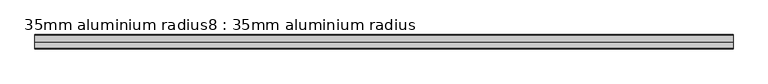
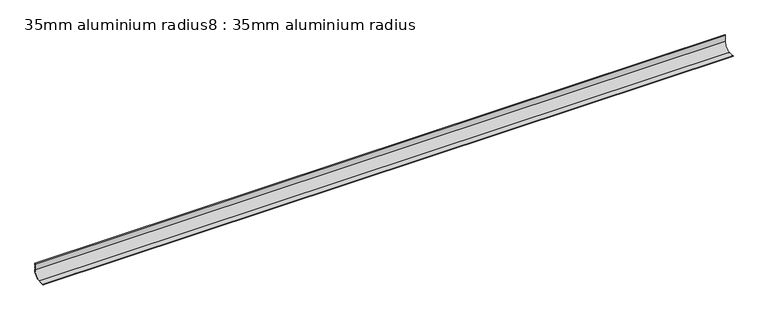
"""IFC4 building model written with IfcOpenShell, lengths in millimetres: proxy geometry, 35mm aluminium radius8 : 35mm aluminium radius."""

from ifc_helpers import new_model, si_unit, point, frame, frame_2d, origin, place, context, project, spatial, polyline, circle_curve, trimmed, segment, composite_curve, outline, extrude, source, transform, mapped, element, save


def proxy_35mm_aluminium_radius8_35mm_aluminium_radius_8f096a16(model_context):
    return source(origin(), model_context, "Body", "SweptSolid", [
        extrude(outline(composite_curve([segment(trimmed(circle_curve(frame_2d((-9056.7333075, 12.7246863)), 3.9), [point((-9057.3538557, 16.5750006))], [point((-9060.1617767, 14.5836105))], True, "CARTESIAN"), True, "CONTINUOUS"), segment(trimmed(circle_curve(frame_2d((-9083.0288557, 25.675)), 25.415), [point((-9060.1617767, 14.5836105))], [point((-9071.9374662, 2.807921))], False, "CARTESIAN"), True, "CONTINUOUS"), segment(trimmed(circle_curve(frame_2d((-9070.078542, -0.6205482)), 3.9), [point((-9071.9374662, 2.807921))], [point((-9073.9288563, 0.0))], True, "CARTESIAN"), True, "CONTINUOUS"), segment(polyline([(-9073.9288563, 0.0), (-9085.1413557, 0.0), (-9085.9963557, 0.855), (-9090.1363557, 0.855), (-9090.9913557, 0.0), (-9093.4288557, 0.0), (-9094.2838557, 0.855), (-9098.4238557, 0.855), (-9099.2788557, 0.0), (-9106.1038557, 0.0)]), True, "CONTINUOUS"), segment(trimmed(circle_curve(frame_2d((-9104.8038557, 0.0)), 1.3), [point((-9106.1038557, 0.0))], [point((-9104.8038557, 1.3))], False, "CARTESIAN"), True, "CONTINUOUS"), segment(polyline([(-9104.8038557, 1.3), (-9083.0288557, 1.3)]), True, "CONTINUOUS"), segment(trimmed(circle_curve(frame_2d((-9083.0288557, 25.675)), 24.375), [point((-9083.0288557, 1.3))], [point((-9058.6538557, 25.675))], True, "CARTESIAN"), True, "CONTINUOUS"), segment(polyline([(-9058.6538557, 25.675), (-9058.6538557, 47.45)]), True, "CONTINUOUS"), segment(trimmed(circle_curve(frame_2d((-9057.3538557, 47.45)), 1.3), [point((-9058.6538557, 47.45))], [point((-9057.3538557, 48.75))], False, "CARTESIAN"), True, "CONTINUOUS"), segment(polyline([(-9057.3538557, 48.75), (-9057.3538557, 41.925), (-9058.2088557, 41.07), (-9058.2088557, 36.93), (-9057.3538557, 36.075), (-9057.3538557, 33.6375), (-9058.2088557, 32.7825), (-9058.2088557, 28.6425), (-9057.3538557, 27.7875), (-9057.3538557, 16.5750006)]), True, "CONTINUOUS")], self_intersect=False)), frame((-2635.3690716, 0.0, 0.0), z_axis=(1.0, 0.0, 0.0), x_axis=(0.0, 1.0, 0.0)), (0.0, 0.0, 1.0), 2400.0),
    ])


if __name__ == "__main__":
    model = new_model("IFC4")
    model_context = context("Model", 3, world=origin())
    ifc_project = project(units=[si_unit("LENGTHUNIT", "METRE", prefix="MILLI")], contexts=[model_context])
    site = spatial("IfcSite", under=ifc_project)
    building = spatial("IfcBuilding", under=site)
    placement = place(None, origin())
    proxy_35mm_aluminium_radius8_35mm_aluminium_radius_shape = proxy_35mm_aluminium_radius8_35mm_aluminium_radius_8f096a16(model_context)
    element("IfcBuildingElementProxy", 1, Name="35mm aluminium radius8 : 35mm aluminium radius", ObjectType="35mm aluminium radius8 : 35mm aluminium radius", at=placement, inside=building, context=model_context, shape_type="MappedRepresentation", body=[
        mapped(proxy_35mm_aluminium_radius8_35mm_aluminium_radius_shape, transform((0.0, 0.0, 0.0), x_axis=(1.0, 0.0, 0.0), y_axis=(0.0, 1.0, 0.0), z_axis=(0.0, 0.0, 1.0))),
    ])
    save(model, "model.ifc")
